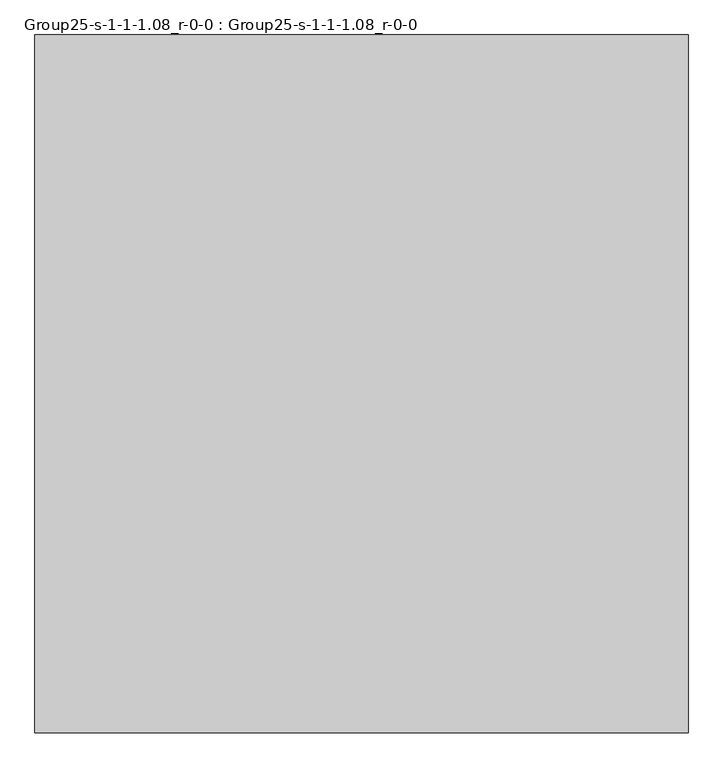
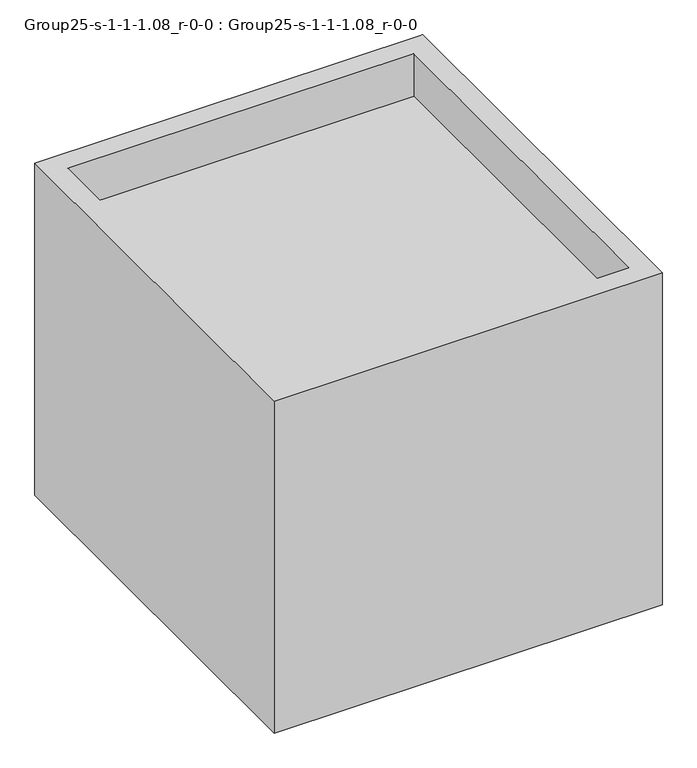
"""IFC4 building model written with IfcOpenShell, lengths in millimetres: geographic element geometry, Group25-s-1-1-1.08_r-0-0 : Group25-s-1-1-1.08_r-0-0."""

from ifc_helpers import new_model, si_unit, origin, place, context, project, spatial, triangles, source, transform, mapped, element, save


def group25_s_1_1_1_08_r_0_0_group25_s_1_1_1_08_r_0_0_d1069a1c(model_context):
    return source(origin(), model_context, "Body", "Tessellation", [
        triangles([(5678.055162, 7135.8126938, 0.0), (0.0, 1067.3790344, 0.0), (0.0, 7135.8126938, 0.0), (5678.055162, 1067.3790344, 0.0), (5373.255162, 6831.0126938, 5139.5740768), (304.8, 6831.0126938, 4481.2061234), (5373.255162, 6831.0126938, 4481.2061234), (304.8, 6831.0126938, 5139.5740768), (0.0, 7135.8126938, 5139.5740768), (5678.055162, 7135.8126938, 5139.5740768), (5373.255162, 1372.1790344, 4481.2061234), (304.8, 1372.1790344, 4481.2061234), (5678.055162, 1067.3790344, 5139.5740768), (304.8, 1372.1790344, 5139.5740768), (5373.255162, 1372.1790344, 5139.5740768), (0.0, 1067.3790344, 5139.5740768)], [[1, 2, 3], [2, 1, 4], [5, 6, 7], [6, 5, 8], [9, 1, 3], [1, 9, 10], [11, 6, 12], [6, 11, 7], [1, 13, 4], [13, 1, 10], [14, 11, 12], [11, 14, 15], [16, 14, 9], [14, 16, 13], [14, 13, 15], [15, 13, 5], [9, 8, 10], [8, 9, 14], [10, 8, 5], [10, 5, 13], [5, 11, 15], [11, 5, 7], [6, 14, 12], [14, 6, 8], [13, 2, 4], [2, 13, 16], [9, 2, 16], [2, 9, 3]]),
    ])


if __name__ == "__main__":
    model = new_model("IFC4")
    model_context = context("Model", 3, world=origin())
    ifc_project = project(units=[si_unit("LENGTHUNIT", "METRE", prefix="MILLI")], contexts=[model_context])
    site = spatial("IfcSite", under=ifc_project)
    building = spatial("IfcBuilding", under=site)
    placement = place(None, origin())
    group25_s_1_1_1_08_r_0_0_group25_s_1_1_1_08_r_0_0_shape = group25_s_1_1_1_08_r_0_0_group25_s_1_1_1_08_r_0_0_d1069a1c(model_context)
    element("IfcGeographicElement", 1, ObjectType="Group25-s-1-1-1.08_r-0-0 : Group25-s-1-1-1.08_r-0-0", at=placement, inside=building, context=model_context, shape_type="MappedRepresentation", body=[
        mapped(group25_s_1_1_1_08_r_0_0_group25_s_1_1_1_08_r_0_0_shape, transform((0.0, 0.0, 0.0), x_axis=(1.0, 0.0, 0.0), y_axis=(0.0, 1.0, 0.0), z_axis=(0.0, 0.0, 1.0))),
    ])
    save(model, "model.ifc")
